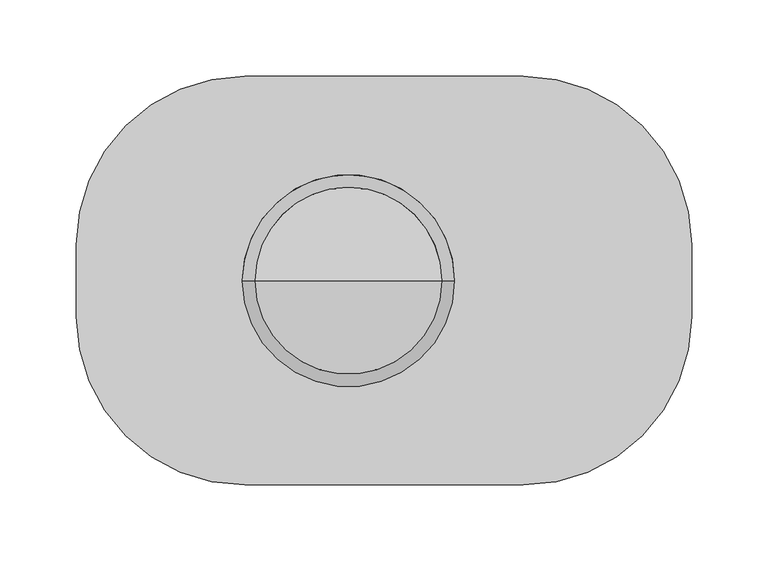
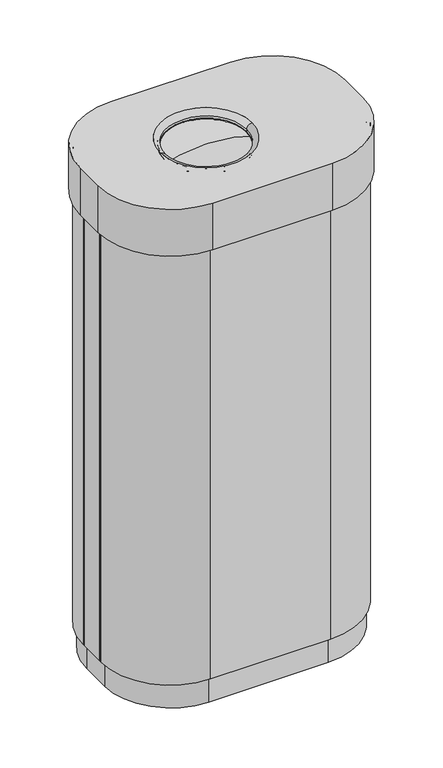
"""IFC4 building model written with IfcOpenShell, lengths in millimetres: furniture geometry."""

from ifc_helpers import new_model, si_unit, point, frame, frame_2d, origin, origin_with_axes, place, context, project, spatial, polyline, circle_curve, ellipse_curve, trimmed, segment, composite_curve, outline, extrude, source, transform, mapped, element, save
from ifc_brep_helpers import plane_surface, cylinder_surface, revolved_surface, advanced_brep


def furniture_74940fe1(model_context):
    return source(origin(), model_context, "Body", "SolidModel", [
        advanced_brep(
        [(-26.25, 0.0, 665.0), (-20.25, 0.0, 665.0), (-23.25, 0.0, 665.0), (-26.25, 0.0, 780.0), (-20.25, 0.0, 780.0), (-104.5, 0.0, 780.0), (58.0, 0.0, 780.0), (-23.25, 0.0, 795.0)],
        [
            (0, 1, circle_curve(frame((-23.25, 0.0, 665.0), z_axis=(0.0, 0.0, -1.0), x_axis=(1.0, 0.0, 0.0)), 3.0)),
            (1, 2),
            (2, 0),
            (1, 0, circle_curve(frame((-23.25, 0.0, 665.0), z_axis=(0.0, 0.0, -1.0), x_axis=(1.0, 0.0, 0.0)), 3.0)),
            (3, 4, circle_curve(frame((-23.25, 0.0, 780.0), z_axis=(0.0, 0.0, -1.0), x_axis=(1.0, 0.0, 0.0)), 3.0)),
            (4, 1),
            (0, 3),
            (4, 3, circle_curve(frame((-23.25, 0.0, 780.0), z_axis=(0.0, 0.0, -1.0), x_axis=(1.0, 0.0, 0.0)), 3.0)),
            (5, 6, circle_curve(frame((-23.25, 0.0, 780.0), z_axis=(0.0, 0.0, -1.0), x_axis=(1.0, 0.0, 0.0)), 81.25)),
            (6, 4),
            (3, 5),
            (6, 5, circle_curve(frame((-23.25, 0.0, 780.0), z_axis=(0.0, 0.0, -1.0), x_axis=(1.0, 0.0, 0.0)), 81.25)),
            (7, 6, circle_curve(frame((-23.25, 0.0, 567.4479167), z_axis=(0.0, 1.0, 0.0), x_axis=(1.0, 0.0, 0.0)), 227.5520833)),
            (5, 7, circle_curve(frame((-23.25, 0.0, 567.4479167), z_axis=(0.0, 1.0, 0.0), x_axis=(-1.0, 0.0, 0.0)), 227.5520833)),
        ],
        [
            plane_surface(frame((-23.25, 0.0, 665.0), z_axis=(0.0, 0.0, -1.0), x_axis=(1.0, 0.0, 0.0))),
            cylinder_surface(frame((-23.25, 0.0, 665.0), z_axis=(0.0, 0.0, 1.0), x_axis=(1.0, 0.0, 0.0)), 3.0),
            plane_surface(frame((-23.25, 0.0, 780.0), z_axis=(0.0, 0.0, -1.0), x_axis=(1.0, 0.0, 0.0))),
            revolved_surface(trimmed(ellipse_curve(frame((-23.25, 0.0, 567.4479167), z_axis=(0.0, -1.0, 0.0), x_axis=(1.0, 0.0, 0.0)), 227.5520833, 227.5520833), [point((58.0, 0.0, 780.0))], [point((-23.25, 0.0, 795.0))], True, "CARTESIAN"), (-23.25, 0.0, 665.0), (0.0, 0.0, 1.0)),
        ],
        [
            (0, [[1, 2, 3]]),
            (0, [[4, -3, -2]]),
            (1, [[5, 6, -1, 7]]),
            (1, [[8, -7, -4, -6]]),
            (2, [[9, 10, -5, 11]]),
            (2, [[12, -11, -8, -10]]),
            (3, [[13, -9, 14]]),
            (3, [[-14, -12, -13]]),
        ],
    ),
        extrude(outline(polyline([(-191.0, 20.0), (-191.0, -20.0), (-196.0, -20.0), (-196.0, 20.0), (-191.0, 20.0)])), frame((0.0, 0.0, 40.0), z_axis=(0.0, 0.0, 1.0), x_axis=(1.0, 0.0, 0.0)), (0.0, 0.0, 1.0), 762.0),
        advanced_brep(
        [(91.0, 133.5, 805.0), (-91.0, 133.5, 805.0), (-201.0, 23.5, 805.0), (-201.0, -23.5, 805.0), (-91.0, -133.5, 805.0), (91.0, -133.5, 805.0), (201.0, -23.5, 805.0), (201.0, 23.5, 805.0), (46.0, 0.0, 805.0), (-92.5, 0.0, 805.0), (-196.0, 23.5, 802.0), (-91.0, 128.5, 802.0), (91.0, 128.5, 802.0), (196.0, 23.5, 802.0), (196.0, -23.5, 802.0), (91.0, -128.5, 802.0), (-91.0, -128.5, 802.0), (-196.0, -23.5, 802.0), (-92.4751267, 0.0, 802.0), (45.9751267, 0.0, 802.0), (91.0, 133.5, 730.0), (201.0, 23.5, 730.0), (201.0, -23.5, 730.0), (91.0, -133.5, 730.0), (-91.0, -133.5, 730.0), (-201.0, -23.5, 730.0), (-201.0, 23.5, 730.0), (-91.0, 133.5, 730.0), (-196.0, 23.5, 730.0), (-196.0, -23.5, 730.0), (-91.0, -128.5, 730.0), (91.0, -128.5, 730.0), (196.0, -23.5, 730.0), (196.0, 23.5, 730.0), (91.0, 128.5, 730.0), (-91.0, 128.5, 730.0), (38.0, 0.0, 793.4879792), (-84.5, 0.0, 793.4879792), (-87.4751267, 0.0, 793.2159474), (40.9751267, 0.0, 793.2159474), (40.9751267, 0.0, 797.0), (-87.4751267, 0.0, 797.0), (38.0, 0.0, 797.0), (-84.5, 0.0, 797.0)],
        [
            (0, 1),
            (1, 2, circle_curve(frame((-91.0, 23.5, 805.0), z_axis=(0.0, 0.0, 1.0), x_axis=(-1.0, 0.0, 0.0)), 110.0)),
            (2, 3),
            (3, 4, circle_curve(frame((-91.0, -23.5, 805.0), z_axis=(0.0, 0.0, 1.0), x_axis=(-1.0, 0.0, 0.0)), 110.0)),
            (4, 5),
            (5, 6, circle_curve(frame((91.0, -23.5, 805.0), z_axis=(0.0, 0.0, 1.0), x_axis=(-1.0, 0.0, 0.0)), 110.0)),
            (6, 7),
            (7, 0, circle_curve(frame((91.0, 23.5, 805.0), z_axis=(0.0, 0.0, 1.0), x_axis=(-1.0, 0.0, 0.0)), 110.0)),
            (8, 9, circle_curve(frame((-23.25, 0.0, 805.0), z_axis=(0.0, 0.0, -1.0), x_axis=(1.0, 0.0, 0.0)), 69.25)),
            (9, 8, circle_curve(frame((-23.25, 0.0, 805.0), z_axis=(0.0, 0.0, -1.0), x_axis=(-1.0, 0.0, 0.0)), 69.25)),
            (10, 11, circle_curve(frame((-91.0, 23.5, 802.0), z_axis=(0.0, 0.0, -1.0), x_axis=(-1.0, 0.0, 0.0)), 105.0)),
            (11, 12),
            (12, 13, circle_curve(frame((91.0, 23.5, 802.0), z_axis=(0.0, 0.0, -1.0), x_axis=(-1.0, 0.0, 0.0)), 105.0)),
            (13, 14),
            (14, 15, circle_curve(frame((91.0, -23.5, 802.0), z_axis=(0.0, 0.0, -1.0), x_axis=(-1.0, 0.0, 0.0)), 105.0)),
            (15, 16),
            (16, 17, circle_curve(frame((-91.0, -23.5, 802.0), z_axis=(0.0, 0.0, -1.0), x_axis=(-1.0, 0.0, 0.0)), 105.0)),
            (17, 10),
            (18, 19, circle_curve(frame((-23.25, 0.0, 802.0), z_axis=(0.0, 0.0, 1.0), x_axis=(1.0, 0.0, 0.0)), 69.2251267)),
            (19, 18, circle_curve(frame((-23.25, 0.0, 802.0), z_axis=(0.0, 0.0, 1.0), x_axis=(-1.0, 0.0, 0.0)), 69.2251267)),
            (20, 21, circle_curve(frame((91.0, 23.5, 730.0), z_axis=(0.0, 0.0, -1.0), x_axis=(-1.0, 0.0, 0.0)), 110.0)),
            (21, 22),
            (22, 23, circle_curve(frame((91.0, -23.5, 730.0), z_axis=(0.0, 0.0, -1.0), x_axis=(-1.0, 0.0, 0.0)), 110.0)),
            (23, 24),
            (24, 25, circle_curve(frame((-91.0, -23.5, 730.0), z_axis=(0.0, 0.0, -1.0), x_axis=(-1.0, 0.0, 0.0)), 110.0)),
            (25, 26),
            (26, 27, circle_curve(frame((-91.0, 23.5, 730.0), z_axis=(0.0, 0.0, -1.0), x_axis=(-1.0, 0.0, 0.0)), 110.0)),
            (27, 20),
            (28, 29),
            (29, 30, circle_curve(frame((-91.0, -23.5, 730.0), z_axis=(0.0, 0.0, 1.0), x_axis=(-1.0, 0.0, 0.0)), 105.0)),
            (30, 31),
            (31, 32, circle_curve(frame((91.0, -23.5, 730.0), z_axis=(0.0, 0.0, 1.0), x_axis=(-1.0, 0.0, 0.0)), 105.0)),
            (32, 33),
            (33, 34, circle_curve(frame((91.0, 23.5, 730.0), z_axis=(0.0, 0.0, 1.0), x_axis=(-1.0, 0.0, 0.0)), 105.0)),
            (34, 35),
            (35, 28, circle_curve(frame((-91.0, 23.5, 730.0), z_axis=(0.0, 0.0, 1.0), x_axis=(-1.0, 0.0, 0.0)), 105.0)),
            (35, 11),
            (10, 28),
            (34, 12),
            (33, 13),
            (32, 14),
            (31, 15),
            (30, 16),
            (29, 17),
            (0, 20),
            (27, 1),
            (26, 2),
            (25, 3),
            (24, 4),
            (23, 5),
            (22, 6),
            (21, 7),
            (36, 37, circle_curve(frame((-23.25, 0.0, 793.4879792), z_axis=(0.0, 0.0, 1.0), x_axis=(-1.0, 0.0, 0.0)), 61.25)),
            (37, 38, circle_curve(frame((-85.9751267, 0.0, 793.2159474), z_axis=(0.0, 1.0, 0.0), x_axis=(-1.0, 0.0, 0.0)), 1.5)),
            (38, 39, circle_curve(frame((-23.25, 0.0, 793.2159474), z_axis=(0.0, 0.0, -1.0), x_axis=(-1.0, 0.0, 0.0)), 64.2251267)),
            (39, 36, circle_curve(frame((39.4751267, 0.0, 793.2159474), z_axis=(0.0, 1.0, 0.0), x_axis=(1.0, 0.0, 0.0)), 1.5)),
            (37, 36, circle_curve(frame((-23.25, 0.0, 793.4879792), z_axis=(0.0, 0.0, 1.0), x_axis=(1.0, 0.0, 0.0)), 61.25)),
            (39, 38, circle_curve(frame((-23.25, 0.0, 793.2159474), z_axis=(0.0, 0.0, -1.0), x_axis=(1.0, 0.0, 0.0)), 64.2251267)),
            (19, 40, circle_curve(frame((45.9751267, 0.0, 797.0), z_axis=(0.0, -1.0, 0.0), x_axis=(1.0, 0.0, 0.0)), 5.0)),
            (40, 41, circle_curve(frame((-23.25, 0.0, 797.0), z_axis=(0.0, 0.0, 1.0), x_axis=(-1.0, 0.0, 0.0)), 64.2251267)),
            (41, 18, circle_curve(frame((-92.4751267, 0.0, 797.0), z_axis=(0.0, -1.0, 0.0), x_axis=(-1.0, 0.0, 0.0)), 5.0)),
            (38, 41),
            (40, 39),
            (36, 42),
            (42, 43, circle_curve(frame((-23.25, 0.0, 797.0), z_axis=(0.0, 0.0, 1.0), x_axis=(-1.0, 0.0, 0.0)), 61.25)),
            (43, 37),
            (9, 43, circle_curve(frame((-92.5, 0.0, 797.0), z_axis=(0.0, 1.0, 0.0), x_axis=(-1.0, 0.0, 0.0)), 8.0)),
            (42, 8, circle_curve(frame((46.0, 0.0, 797.0), z_axis=(0.0, 1.0, 0.0), x_axis=(1.0, 0.0, 0.0)), 8.0)),
            (41, 40, circle_curve(frame((-23.25, 0.0, 797.0), z_axis=(0.0, 0.0, 1.0), x_axis=(1.0, 0.0, 0.0)), 64.2251267)),
            (43, 42, circle_curve(frame((-23.25, 0.0, 797.0), z_axis=(0.0, 0.0, 1.0), x_axis=(1.0, 0.0, 0.0)), 61.25)),
        ],
        [
            plane_surface(frame((-104.5, 0.0, 805.0), z_axis=(0.0, 0.0, 1.0), x_axis=(0.0, 1.0, 0.0))),
            plane_surface(frame((-104.5, 0.0, 802.0), z_axis=(0.0, 0.0, -1.0), x_axis=(0.0, -1.0, 0.0))),
            plane_surface(frame((-196.0, 23.5, 730.0), z_axis=(0.0, 0.0, -1.0), x_axis=(0.0, -1.0, 0.0))),
            revolved_surface(polyline([(-196.0, 23.5, 730.0), (-196.0, 23.5, 802.0)]), (-91.0, 23.5, 730.0), (0.0, 0.0, -1.0)),
            plane_surface(frame((-91.0, 128.5, 805.0), z_axis=(0.0, -1.0, 0.0), x_axis=(0.0, 0.0, -1.0))),
            revolved_surface(polyline([(-14.0, 23.5, 730.0), (-14.0, 23.5, 802.0)]), (91.0, 23.5, 730.0), (0.0, 0.0, -1.0)),
            plane_surface(frame((196.0, 23.5, 805.0), z_axis=(-1.0, 0.0, 0.0), x_axis=(0.0, 0.0, -1.0))),
            revolved_surface(polyline([(-14.0, -23.5, 730.0), (-14.0, -23.5, 802.0)]), (91.0, -23.5, 730.0), (0.0, 0.0, -1.0)),
            plane_surface(frame((91.0, -128.5, 805.0), z_axis=(0.0, 1.0, 0.0), x_axis=(0.0, 0.0, -1.0))),
            revolved_surface(polyline([(-196.0, -23.5, 730.0), (-196.0, -23.5, 802.0)]), (-91.0, -23.5, 730.0), (0.0, 0.0, -1.0)),
            plane_surface(frame((-196.0, -23.5, 805.0), z_axis=(1.0, 0.0, 0.0), x_axis=(0.0, 0.0, -1.0))),
            plane_surface(frame((91.0, 133.5, 805.0), z_axis=(0.0, 1.0, 0.0), x_axis=(0.0, 0.0, -1.0))),
            cylinder_surface(frame((-91.0, 23.5, 805.0), z_axis=(0.0, 0.0, 1.0), x_axis=(-1.0, 0.0, 0.0)), 110.0),
            plane_surface(frame((-201.0, 23.5, 805.0), z_axis=(-1.0, 0.0, 0.0), x_axis=(0.0, 0.0, -1.0))),
            cylinder_surface(frame((-91.0, -23.5, 805.0), z_axis=(0.0, 0.0, 1.0), x_axis=(-1.0, 0.0, 0.0)), 110.0),
            plane_surface(frame((-91.0, -133.5, 805.0), z_axis=(0.0, -1.0, 0.0), x_axis=(0.0, 0.0, -1.0))),
            cylinder_surface(frame((91.0, -23.5, 805.0), z_axis=(0.0, 0.0, 1.0), x_axis=(-1.0, 0.0, 0.0)), 110.0),
            plane_surface(frame((201.0, -23.5, 805.0), z_axis=(1.0, 0.0, 0.0), x_axis=(0.0, 0.0, -1.0))),
            cylinder_surface(frame((91.0, 23.5, 805.0), z_axis=(0.0, 0.0, 1.0), x_axis=(-1.0, 0.0, 0.0)), 110.0),
            revolved_surface(trimmed(ellipse_curve(frame((-85.9751267, 0.0, 793.2159474), z_axis=(0.0, -1.0, 0.0), x_axis=(-1.0, 0.0, 0.0)), 1.5, 1.5), [point((-87.4751267, 0.0, 793.2159474))], [point((-84.5, 0.0, 793.4879792))], True, "CARTESIAN"), (-23.25, 0.0, 805.0), (0.0, 0.0, -1.0)),
            revolved_surface(trimmed(ellipse_curve(frame((39.4751267, 0.0, 793.2159474), z_axis=(0.0, 1.0, 0.0), x_axis=(1.0, 0.0, 0.0)), 1.5, 1.5), [point((40.9751267, 0.0, 793.2159474))], [point((38.0, 0.0, 793.4879792))], True, "CARTESIAN"), (-23.25, 0.0, 805.0), (0.0, 0.0, -1.0)),
            revolved_surface(trimmed(ellipse_curve(frame((-92.4751267, 0.0, 797.0), z_axis=(0.0, 1.0, 0.0), x_axis=(-1.0, 0.0, 0.0)), 5.0, 5.0), [point((-92.4751267, 0.0, 802.0))], [point((-87.4751267, 0.0, 797.0))], True, "CARTESIAN"), (-23.25, 0.0, 805.0), (0.0, 0.0, -1.0)),
            cylinder_surface(frame((-23.25, 0.0, 805.0), z_axis=(0.0, 0.0, -1.0), x_axis=(-1.0, 0.0, 0.0)), 64.2251267),
            revolved_surface(polyline([(-84.5, 0.0, 793.4879792), (-84.5, 0.0, 797.0)]), (-23.25, 0.0, 805.0), (0.0, 0.0, -1.0)),
            revolved_surface(trimmed(ellipse_curve(frame((-92.5, 0.0, 797.0), z_axis=(0.0, -1.0, 0.0), x_axis=(-1.0, 0.0, 0.0)), 8.0, 8.0), [point((-84.5, 0.0, 797.0))], [point((-92.5, 0.0, 805.0))], True, "CARTESIAN"), (-23.25, 0.0, 805.0), (0.0, 0.0, -1.0)),
            revolved_surface(trimmed(ellipse_curve(frame((45.9751267, 0.0, 797.0), z_axis=(0.0, -1.0, 0.0), x_axis=(1.0, 0.0, 0.0)), 5.0, 5.0), [point((45.9751267, 0.0, 802.0))], [point((40.9751267, 0.0, 797.0))], True, "CARTESIAN"), (-23.25, 0.0, 805.0), (0.0, 0.0, -1.0)),
            cylinder_surface(frame((-23.25, 0.0, 805.0), z_axis=(0.0, 0.0, -1.0), x_axis=(1.0, 0.0, 0.0)), 64.2251267),
            revolved_surface(polyline([(38.0, 0.0, 793.4879792), (38.0, 0.0, 797.0)]), (-23.25, 0.0, 805.0), (0.0, 0.0, -1.0)),
            revolved_surface(trimmed(ellipse_curve(frame((46.0, 0.0, 797.0), z_axis=(0.0, 1.0, 0.0), x_axis=(1.0, 0.0, 0.0)), 8.0, 8.0), [point((38.0, 0.0, 797.0))], [point((46.0, 0.0, 805.0))], True, "CARTESIAN"), (-23.25, 0.0, 805.0), (0.0, 0.0, -1.0)),
        ],
        [
            (0, [[1, 2, 3, 4, 5, 6, 7, 8], [9, 10]]),
            (1, [[11, 12, 13, 14, 15, 16, 17, 18], [19, 20]]),
            (2, [[21, 22, 23, 24, 25, 26, 27, 28], [29, 30, 31, 32, 33, 34, 35, 36]]),
            (3, [[-36, 37, -11, 38]]),
            (4, [[-35, 39, -12, -37]]),
            (5, [[-34, 40, -13, -39]]),
            (6, [[-33, 41, -14, -40]]),
            (7, [[-32, 42, -15, -41]]),
            (8, [[-31, 43, -16, -42]]),
            (9, [[-30, 44, -17, -43]]),
            (10, [[-29, -38, -18, -44]]),
            (11, [[-1, 45, -28, 46]]),
            (12, [[-2, -46, -27, 47]]),
            (13, [[-3, -47, -26, 48]]),
            (14, [[-4, -48, -25, 49]]),
            (15, [[-5, -49, -24, 50]]),
            (16, [[-6, -50, -23, 51]]),
            (17, [[-7, -51, -22, 52]]),
            (18, [[-8, -52, -21, -45]]),
            (19, [[53, 54, 55, 56]]),
            (20, [[-54, 57, -56, 58]]),
            (21, [[-20, 59, 60, 61]]),
            (22, [[-55, 62, -60, 63]]),
            (23, [[-53, 64, 65, 66]]),
            (24, [[-10, 67, -65, 68]]),
            (25, [[-19, -61, 69, -59]]),
            (26, [[-58, -63, -69, -62]]),
            (27, [[-57, -66, 70, -64]]),
            (28, [[-9, -68, -70, -67]]),
        ],
    ),
        extrude(outline(composite_curve([segment(polyline([(91.0, -123.5), (-91.0, -123.5)]), True, "CONTINUOUS"), segment(trimmed(circle_curve(frame_2d((-91.0, -23.5)), 100.0), [point((-91.0, -123.5))], [point((-191.0, -23.5))], False, "CARTESIAN"), True, "CONTINUOUS"), segment(polyline([(-191.0, -23.5), (-191.0, 23.5)]), True, "CONTINUOUS"), segment(trimmed(circle_curve(frame_2d((-91.0, 23.5)), 100.0), [point((-191.0, 23.5))], [point((-91.0, 123.5))], False, "CARTESIAN"), True, "CONTINUOUS"), segment(polyline([(-91.0, 123.5), (91.0, 123.5)]), True, "CONTINUOUS"), segment(trimmed(circle_curve(frame_2d((91.0, 23.5)), 100.0), [point((91.0, 123.5))], [point((191.0, 23.5))], False, "CARTESIAN"), True, "CONTINUOUS"), segment(polyline([(191.0, 23.5), (191.0, -23.5)]), True, "CONTINUOUS"), segment(trimmed(circle_curve(frame_2d((91.0, -23.5)), 100.0), [point((191.0, -23.5))], [point((91.0, -123.5))], False, "CARTESIAN"), True, "CONTINUOUS")], self_intersect=False)), origin_with_axes(), (0.0, 0.0, 1.0), 40.0),
        extrude(outline(composite_curve([segment(trimmed(circle_curve(frame_2d((91.0, 23.5)), 105.0), [point((91.0, 128.5))], [point((196.0, 23.5))], False, "CARTESIAN"), True, "CONTINUOUS"), segment(polyline([(196.0, 23.5), (196.0, -23.5)]), True, "CONTINUOUS"), segment(trimmed(circle_curve(frame_2d((91.0, -23.5)), 105.0), [point((196.0, -23.5))], [point((91.0, -128.5))], False, "CARTESIAN"), True, "CONTINUOUS"), segment(polyline([(91.0, -128.5), (-91.0, -128.5)]), True, "CONTINUOUS"), segment(trimmed(circle_curve(frame_2d((-91.0, -23.5)), 105.0), [point((-91.0, -128.5))], [point((-196.0, -23.5))], False, "CARTESIAN"), True, "CONTINUOUS"), segment(polyline([(-196.0, -23.5), (-196.0, -20.0), (-191.0, -20.0), (-191.0, -23.5)]), True, "CONTINUOUS"), segment(trimmed(circle_curve(frame_2d((-91.0, -23.5)), 100.0), [point((-191.0, -23.5))], [point((-91.0, -123.5))], True, "CARTESIAN"), True, "CONTINUOUS"), segment(polyline([(-91.0, -123.5), (91.0, -123.5)]), True, "CONTINUOUS"), segment(trimmed(circle_curve(frame_2d((91.0, -23.5)), 100.0), [point((91.0, -123.5))], [point((191.0, -23.5))], True, "CARTESIAN"), True, "CONTINUOUS"), segment(polyline([(191.0, -23.5), (191.0, 23.5)]), True, "CONTINUOUS"), segment(trimmed(circle_curve(frame_2d((91.0, 23.5)), 100.0), [point((191.0, 23.5))], [point((91.0, 123.5))], True, "CARTESIAN"), True, "CONTINUOUS"), segment(polyline([(91.0, 123.5), (-91.0, 123.5)]), True, "CONTINUOUS"), segment(trimmed(circle_curve(frame_2d((-91.0, 23.5)), 100.0), [point((-91.0, 123.5))], [point((-191.0, 23.5))], True, "CARTESIAN"), True, "CONTINUOUS"), segment(polyline([(-191.0, 23.5), (-191.0, 20.0), (-196.0, 20.0), (-196.0, 23.5)]), True, "CONTINUOUS"), segment(trimmed(circle_curve(frame_2d((-91.0, 23.5)), 105.0), [point((-196.0, 23.5))], [point((-91.0, 128.5))], False, "CARTESIAN"), True, "CONTINUOUS"), segment(polyline([(-91.0, 128.5), (91.0, 128.5)]), True, "CONTINUOUS")], self_intersect=False)), frame((0.0, 0.0, 40.0), z_axis=(0.0, 0.0, 1.0), x_axis=(1.0, 0.0, 0.0)), (0.0, 0.0, 1.0), 762.0),
    ])


if __name__ == "__main__":
    model = new_model("IFC4")
    model_context = context("Model", 3, world=origin())
    ifc_project = project(units=[si_unit("LENGTHUNIT", "METRE", prefix="MILLI")], contexts=[model_context])
    site = spatial("IfcSite", under=ifc_project)
    building = spatial("IfcBuilding", under=site)
    placement = place(None, origin())
    furniture_shape = furniture_74940fe1(model_context)
    element("IfcFurniture", 1, at=placement, inside=building, context=model_context, shape_type="MappedRepresentation", body=[
        mapped(furniture_shape, transform((0.0, 0.0, 0.0), x_axis=(1.0, 0.0, 0.0), y_axis=(0.0, 1.0, 0.0), z_axis=(0.0, 0.0, 1.0))),
    ])
    save(model, "model.ifc")
